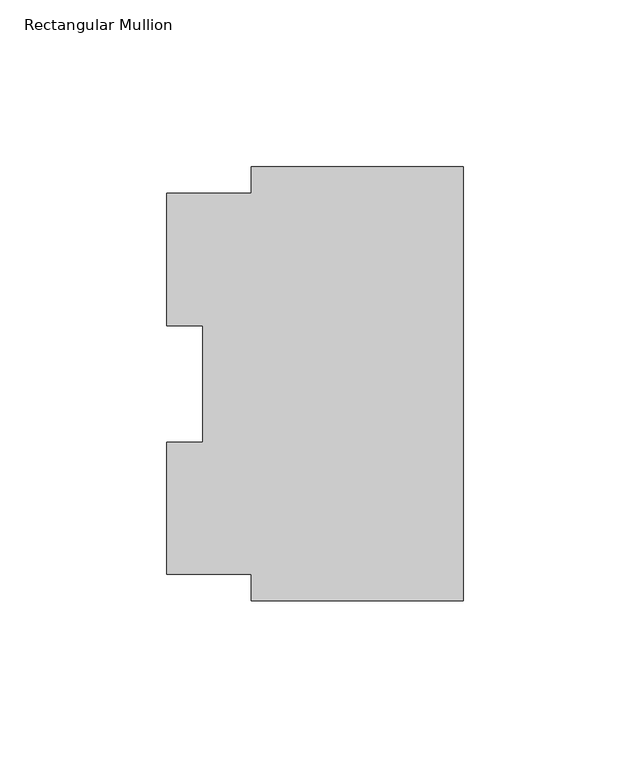
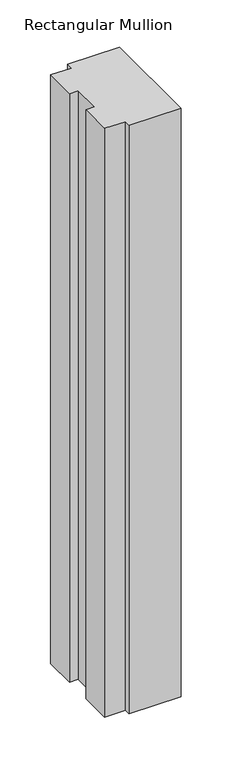
"""IFC4 building model written with IfcOpenShell, lengths in millimetres: member geometry, Rectangular Mullion."""

import ifcopenshell
import ifcopenshell.guid

model = None  # the IFC model being written
_history = None  # IfcOwnerHistory: only IFC2X3 demands one
_inside = {}  # id of a spatial element -> (the spatial element, [elements in it])
_under = {}  # id of a project, library or spatial element -> (it, [spatial elements below it])
_declared = {}  # id of a project -> (the project, [libraries it declares])
_typed = {}  # id of a type object -> (the type object, [elements of that type])
_made_of = {}  # id of a material, layer set ... -> (it, [elements and type objects made of it])


def new_model(schema):
    """Start an empty IFC model of exactly this schema.

    Asked for "IFC4X3", IfcOpenShell would pick the latest addendum, in which some entities
    have other attributes; the version numbers below select the first issue.
    IFC2X3 requires an IfcOwnerHistory on every rooted entity: one is made here for all.
    """
    global model, _history
    if schema == "IFC4X3":
        model = ifcopenshell.file(schema_version=(4, 3, 0, 0))
    else:
        model = ifcopenshell.file(schema=schema)
    _inside.clear()
    _under.clear()
    _declared.clear()
    _typed.clear()
    _made_of.clear()
    _history = None
    if model.schema == "IFC2X3":
        org = make("IfcOrganization", Name="unknown")
        user = make(
            "IfcPersonAndOrganization",
            ThePerson=make("IfcPerson", FamilyName="unknown"),
            TheOrganization=org,
        )
        app = make(
            "IfcApplication",
            ApplicationDeveloper=org,
            Version="unknown",
            ApplicationFullName="unknown",
            ApplicationIdentifier="unknown",
        )
        _history = make(
            "IfcOwnerHistory",
            OwningUser=user,
            OwningApplication=app,
            ChangeAction="ADDED",
            CreationDate=0,
        )
    return model


def make(cls, **values):
    """One entity of the class cls with the attributes given. An attribute that is None is left unset."""
    return model.create_entity(
        cls, **{name: value for name, value in values.items() if value is not None}
    )


def rooted(cls, **values):
    """An entity with a GlobalId (a new one), such as an element, a storey or a relation."""
    return make(cls, GlobalId=ifcopenshell.guid.new(), OwnerHistory=_history, **values)


def si_unit(unit_type, name, prefix=None):
    """IfcSIUnit, for example si_unit("LENGTHUNIT", "METRE", prefix="MILLI")."""
    return make("IfcSIUnit", UnitType=unit_type, Prefix=prefix, Name=name)


def assignment(units):
    """IfcUnitAssignment: the units of a project."""
    return None if units is None else make("IfcUnitAssignment", Units=units)


def point(xyz):
    """IfcCartesianPoint."""
    return None if xyz is None else make("IfcCartesianPoint", Coordinates=xyz)


def direction(xyz):
    """IfcDirection."""
    return None if xyz is None else make("IfcDirection", DirectionRatios=xyz)


def frame(location, z_axis=None, x_axis=None):
    """IfcAxis2Placement3D, a coordinate frame: its origin and axes. An axis left out is left unset."""
    return make(
        "IfcAxis2Placement3D",
        Location=point(location),
        Axis=direction(z_axis),
        RefDirection=direction(x_axis),
    )


def origin():
    """The frame at (0, 0, 0) with its axes left unset."""
    return frame((0.0, 0.0, 0.0))


def place(relative_to, where):
    """IfcLocalPlacement: puts the frame where relative to a parent placement (None: the world)."""
    return make(
        "IfcLocalPlacement", PlacementRelTo=relative_to, RelativePlacement=where
    )


def context(
    kind, dimensions, precision=None, world=None, true_north=None, identifier=None
):
    """IfcGeometricRepresentationContext, for example the 3D "Model" context."""
    return make(
        "IfcGeometricRepresentationContext",
        ContextIdentifier=identifier,
        ContextType=kind,
        CoordinateSpaceDimension=dimensions,
        Precision=precision,
        WorldCoordinateSystem=world,
        TrueNorth=true_north,
    )


def project(units=None, contexts=None):
    """IfcProject with its units and contexts."""
    return rooted(
        "IfcProject",
        Name="project",
        RepresentationContexts=contexts,
        UnitsInContext=assignment(units),
    )


def spatial(cls, under=None, at=None, **own):
    """A site, building, storey or space (cls), placed at a placement, below another one or the project."""
    s = rooted(cls, ObjectPlacement=at, **own)
    if under is not None:
        _under.setdefault(under.id(), (under, []))[1].append(s)
    return s


def polyline(points):
    """IfcPolyline through the points."""
    return make("IfcPolyline", Points=[point(p) for p in points])


def outline(outer, holes=None, kind="AREA"):
    """IfcArbitraryClosedProfileDef: a profile drawn as a closed curve; with holes, ...WithVoids."""
    if holes is None:
        return make("IfcArbitraryClosedProfileDef", ProfileType=kind, OuterCurve=outer)
    return make(
        "IfcArbitraryProfileDefWithVoids",
        ProfileType=kind,
        OuterCurve=outer,
        InnerCurves=holes,
    )


def extrude(swept, where, along, depth):
    """IfcExtrudedAreaSolid: the profile swept, set in the frame where, extruded along a direction by depth."""
    return make(
        "IfcExtrudedAreaSolid",
        SweptArea=swept,
        Position=where,
        ExtrudedDirection=direction(along),
        Depth=depth,
    )


def shape(context_of_items, identifier, shape_type, items):
    """IfcShapeRepresentation: the items that make up one representation, for example the "Body"."""
    return make(
        "IfcShapeRepresentation",
        ContextOfItems=context_of_items,
        RepresentationIdentifier=identifier,
        RepresentationType=shape_type,
        Items=items,
    )


def source(mapping_origin, context_of_items, identifier, shape_type, items):
    """IfcRepresentationMap: a shape defined once, which mapped items show again and again."""
    return make(
        "IfcRepresentationMap",
        MappingOrigin=mapping_origin,
        MappedRepresentation=shape(context_of_items, identifier, shape_type, items),
    )


def transform(
    local_origin,
    x_axis=None,
    y_axis=None,
    z_axis=None,
    scale=None,
    scale2=None,
    scale3=None,
    uniform=True,
):
    """IfcCartesianTransformationOperator3D, or its non-uniform kind. x_axis, y_axis, z_axis: its Axis1, 2, 3."""
    if uniform:
        return make(
            "IfcCartesianTransformationOperator3D",
            Axis1=direction(x_axis),
            Axis2=direction(y_axis),
            LocalOrigin=point(local_origin),
            Scale=scale,
            Axis3=direction(z_axis),
        )
    return make(
        "IfcCartesianTransformationOperator3DnonUniform",
        Axis1=direction(x_axis),
        Axis2=direction(y_axis),
        LocalOrigin=point(local_origin),
        Scale=scale,
        Axis3=direction(z_axis),
        Scale2=scale2,
        Scale3=scale3,
    )


def mapped(mapping_source, mapping_target):
    """IfcMappedItem: shows the shape of a source again, moved by a transform."""
    return make(
        "IfcMappedItem", MappingSource=mapping_source, MappingTarget=mapping_target
    )


def made_of(thing, what):
    """Note that an element or type object is made of a material, layer set ...; save() writes the relation."""
    if what is not None:
        _made_of.setdefault(what.id(), (what, []))[1].append(thing)
    return thing


def element(
    cls,
    number,
    at=None,
    inside=None,
    cuts=None,
    type_object=None,
    material=None,
    context=None,
    identifier="Body",
    shape_type=None,
    held_by="IfcProductDefinitionShape",
    body=None,
    shapes=None,
    **own,
):
    """One element of the class cls, such as IfcWall. Its Tag is "e" and its number.

    at: its placement. inside: the storey or other place that contains it. cuts: it is an
    opening in that element (IfcRelVoidsElement). A single representation is given by context,
    identifier, shape_type and body (its items); several are given by shapes. held_by: the class
    of the entity that holds the representations. save() writes the other relations.
    """
    e = rooted(cls, Tag="e%d" % number, ObjectPlacement=at, **own)
    if body is not None:
        shapes = [shape(context, identifier, shape_type, body)]
    if shapes is not None:
        e.Representation = make(held_by, Representations=shapes)
    if inside is not None:
        _inside.setdefault(inside.id(), (inside, []))[1].append(e)
    if cuts is not None:
        rooted(
            "IfcRelVoidsElement", RelatingBuildingElement=cuts, RelatedOpeningElement=e
        )
    if type_object is not None:
        _typed.setdefault(type_object.id(), (type_object, []))[1].append(e)
    return made_of(e, material)


def aggregate(whole, parts):
    """IfcRelAggregates: a whole, such as a stair, and the parts it consists of."""
    return rooted("IfcRelAggregates", RelatingObject=whole, RelatedObjects=parts)


def save(model, path):
    """Write the relations noted so far, then the file.

    IfcRelAggregates (storeys below a building ...), IfcRelContainedInSpatialStructure (elements
    in a storey), IfcRelDefinesByType, IfcRelAssociatesMaterial and IfcRelDeclares: one each for
    every whole, place, type object, material and project.
    """
    for whole, parts in _under.values():
        aggregate(whole, parts)
    for where, things in _inside.values():
        rooted(
            "IfcRelContainedInSpatialStructure",
            RelatedElements=things,
            RelatingStructure=where,
        )
    for kind, things in _typed.values():
        rooted("IfcRelDefinesByType", RelatedObjects=things, RelatingType=kind)
    for what, things in _made_of.values():
        rooted("IfcRelAssociatesMaterial", RelatedObjects=things, RelatingMaterial=what)
    for by, libraries in _declared.values():
        rooted("IfcRelDeclares", RelatingContext=by, RelatedDefinitions=libraries)
    model.write(path)


def rectangular_mullion_b1a50cda(model_context):
    return source(origin(), model_context, "Body", "SweptSolid", [
        extrude(outline(polyline([(0.0, 122.208925), (0.0, -7.966075), (-63.5, -7.966075), (-63.5, -0.028575), (-88.9, -0.028575), (-88.9, 39.646225), (-78.0415, 39.646225), (-78.0415, 74.596625), (-88.9, 74.596625), (-88.9, 114.271425), (-63.5, 114.271425), (-63.5, 122.208925), (0.0, 122.208925)])), frame((0.0, 0.0, -762.0), z_axis=(0.0, 0.0, 1.0), x_axis=(1.0, 0.0, 0.0)), (0.0, 0.0, 1.0), 762.0),
    ])


if __name__ == "__main__":
    model = new_model("IFC4")
    model_context = context("Model", 3, world=origin())
    ifc_project = project(units=[si_unit("LENGTHUNIT", "METRE", prefix="MILLI")], contexts=[model_context])
    site = spatial("IfcSite", under=ifc_project)
    building = spatial("IfcBuilding", under=site)
    placement = place(None, origin())
    rectangular_mullion_shape = rectangular_mullion_b1a50cda(model_context)
    element("IfcMember", 1, ObjectType="Rectangular Mullion", at=placement, inside=building, context=model_context, shape_type="MappedRepresentation", body=[
        mapped(rectangular_mullion_shape, transform((0.0, 0.0, 0.0), x_axis=(1.0, 0.0, 0.0), y_axis=(0.0, 1.0, 0.0), z_axis=(0.0, 0.0, 1.0))),
    ])
    save(model, "model.ifc")
